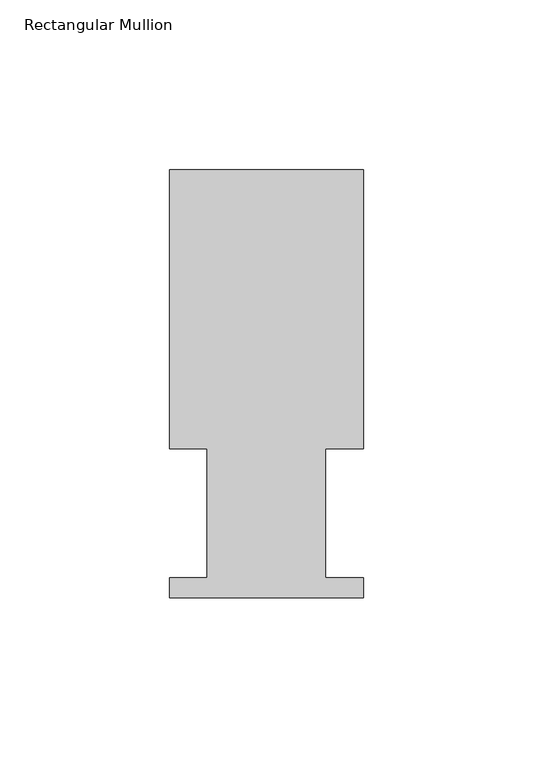
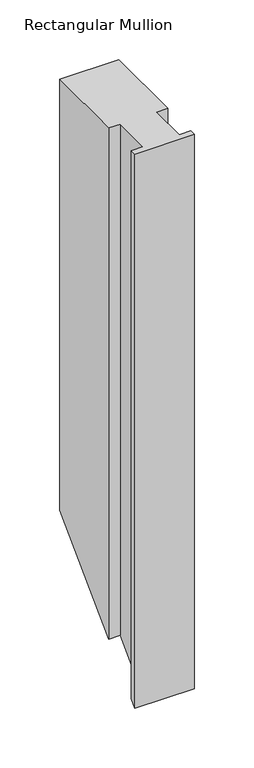
"""IFC4 building model written with IfcOpenShell, lengths in millimetres: member geometry, Rectangular Mullion."""

from ifc_helpers import new_model, si_unit, origin, place, context, project, spatial, faceted_brep, source, transform, mapped, element, save


def rectangular_mullion_67f4570e(model_context):
    return source(origin(), model_context, "Body", "Brep", [
        faceted_brep([(0.0, 126.619, 0.0), (-57.15, 126.619, 0.0), (-57.15, 44.45, 0.0), (-46.0370705, 44.45, 0.0), (-46.0370705, 6.35, 0.0), (-57.15, 6.35, 0.0), (-57.15, 0.4064, 0.0), (0.0, 0.4064, 0.0), (0.0, 6.35, 0.0), (-11.1120704, 6.35, 0.0), (-11.1120704, 44.45, 0.0), (0.0, 44.45, 0.0), (0.0, 126.619, -440.7435251), (-57.15, 126.619, -440.7435251), (-57.15, 44.45, -522.9125251), (-46.0370705, 44.45, -522.9125251), (-46.0370705, 6.35, -561.0125251), (-57.15, 6.35, -561.0125251), (-57.15, 0.4064, -566.9561251), (0.0, 0.4064, -566.9561251), (0.0, 6.35, -561.0125251), (-11.1120704, 6.35, -561.0125251), (-11.1120704, 44.45, -522.9125251), (0.0, 44.45, -522.9125251)], [[[0, 1, 2, 3, 4, 5, 6, 7, 8, 9, 10, 11]], [[1, 0, 12, 13]], [[2, 1, 13, 14]], [[3, 2, 14, 15]], [[4, 3, 15, 16]], [[5, 4, 16, 17]], [[6, 5, 17, 18]], [[7, 6, 18, 19]], [[8, 7, 19, 20]], [[9, 8, 20, 21]], [[10, 9, 21, 22]], [[11, 10, 22, 23]], [[0, 11, 23, 12]], [[12, 23, 22, 21, 20, 19, 18, 17, 16, 15, 14, 13]]]),
    ])


if __name__ == "__main__":
    model = new_model("IFC4")
    model_context = context("Model", 3, world=origin())
    ifc_project = project(units=[si_unit("LENGTHUNIT", "METRE", prefix="MILLI")], contexts=[model_context])
    site = spatial("IfcSite", under=ifc_project)
    building = spatial("IfcBuilding", under=site)
    placement = place(None, origin())
    rectangular_mullion_shape = rectangular_mullion_67f4570e(model_context)
    element("IfcMember", 1, ObjectType="Rectangular Mullion", at=placement, inside=building, context=model_context, shape_type="MappedRepresentation", body=[
        mapped(rectangular_mullion_shape, transform((0.0, 0.0, 0.0), x_axis=(1.0, 0.0, 0.0), y_axis=(0.0, 1.0, 0.0), z_axis=(0.0, 0.0, 1.0))),
    ])
    save(model, "model.ifc")
